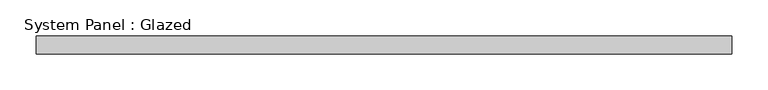
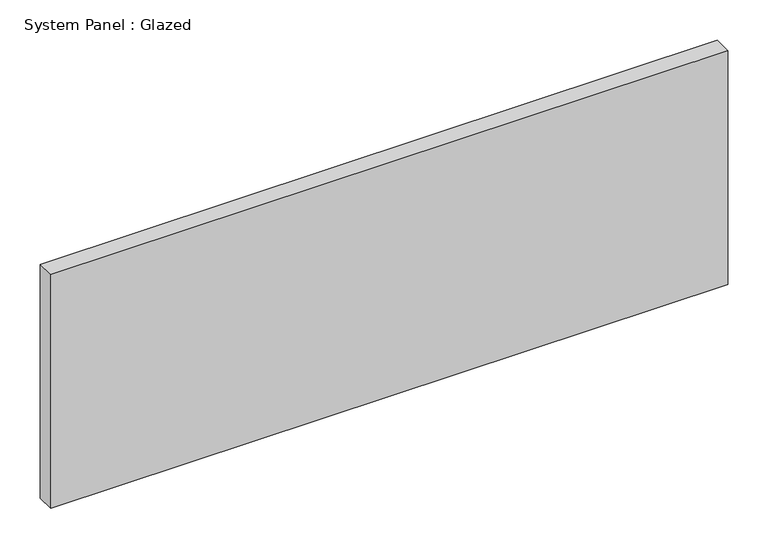
"""IFC4 building model written with IfcOpenShell, lengths in millimetres: plate geometry, System Panel : Glazed."""

from ifc_helpers import new_model, si_unit, origin, origin_with_axes, place, context, project, spatial, polyline, outline, extrude, source, transform, mapped, element, save


def system_panel_glazed_dc153251(model_context):
    return source(origin(), model_context, "Body", "SweptSolid", [
        extrude(outline(polyline([(482.6, -44.45), (-482.6, -44.45), (-482.6, -19.05), (482.6, -19.05), (482.6, -44.45)])), origin_with_axes(), (0.0, 0.0, 1.0), 352.8785714),
    ])


if __name__ == "__main__":
    model = new_model("IFC4")
    model_context = context("Model", 3, world=origin())
    ifc_project = project(units=[si_unit("LENGTHUNIT", "METRE", prefix="MILLI")], contexts=[model_context])
    site = spatial("IfcSite", under=ifc_project)
    building = spatial("IfcBuilding", under=site)
    placement = place(None, origin())
    system_panel_glazed_shape = system_panel_glazed_dc153251(model_context)
    element("IfcPlate", 1, ObjectType="System Panel : Glazed", at=placement, inside=building, context=model_context, shape_type="MappedRepresentation", body=[
        mapped(system_panel_glazed_shape, transform((0.0, 0.0, 0.0), x_axis=(1.0, 0.0, 0.0), y_axis=(0.0, 1.0, 0.0), z_axis=(0.0, 0.0, 1.0))),
    ])
    save(model, "model.ifc")
